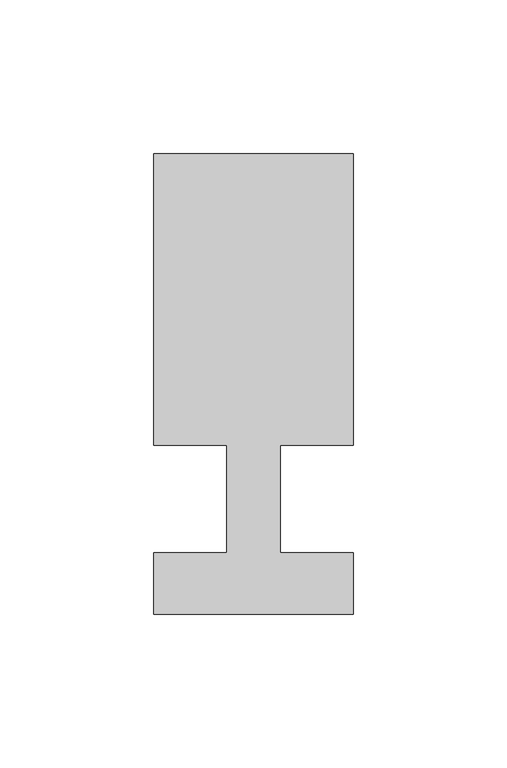
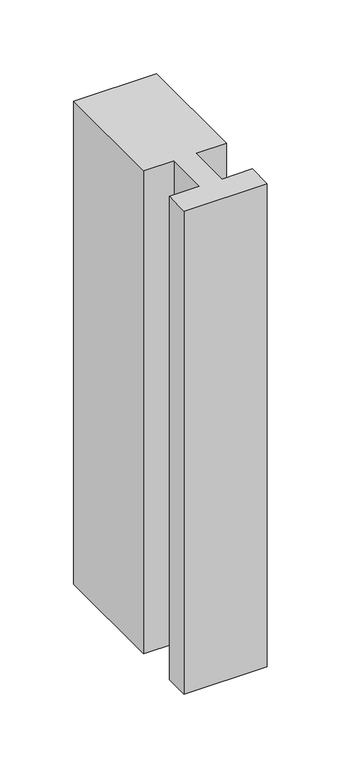
"""IFC4 building model written with IfcOpenShell, lengths in millimetres: member geometry."""

import ifcopenshell
import ifcopenshell.guid

model = None  # the IFC model being written
_history = None  # IfcOwnerHistory: only IFC2X3 demands one
_inside = {}  # id of a spatial element -> (the spatial element, [elements in it])
_under = {}  # id of a project, library or spatial element -> (it, [spatial elements below it])
_declared = {}  # id of a project -> (the project, [libraries it declares])
_typed = {}  # id of a type object -> (the type object, [elements of that type])
_made_of = {}  # id of a material, layer set ... -> (it, [elements and type objects made of it])


def new_model(schema):
    """Start an empty IFC model of exactly this schema.

    Asked for "IFC4X3", IfcOpenShell would pick the latest addendum, in which some entities
    have other attributes; the version numbers below select the first issue.
    IFC2X3 requires an IfcOwnerHistory on every rooted entity: one is made here for all.
    """
    global model, _history
    if schema == "IFC4X3":
        model = ifcopenshell.file(schema_version=(4, 3, 0, 0))
    else:
        model = ifcopenshell.file(schema=schema)
    _inside.clear()
    _under.clear()
    _declared.clear()
    _typed.clear()
    _made_of.clear()
    _history = None
    if model.schema == "IFC2X3":
        org = make("IfcOrganization", Name="unknown")
        user = make(
            "IfcPersonAndOrganization",
            ThePerson=make("IfcPerson", FamilyName="unknown"),
            TheOrganization=org,
        )
        app = make(
            "IfcApplication",
            ApplicationDeveloper=org,
            Version="unknown",
            ApplicationFullName="unknown",
            ApplicationIdentifier="unknown",
        )
        _history = make(
            "IfcOwnerHistory",
            OwningUser=user,
            OwningApplication=app,
            ChangeAction="ADDED",
            CreationDate=0,
        )
    return model


def make(cls, **values):
    """One entity of the class cls with the attributes given. An attribute that is None is left unset."""
    return model.create_entity(
        cls, **{name: value for name, value in values.items() if value is not None}
    )


def rooted(cls, **values):
    """An entity with a GlobalId (a new one), such as an element, a storey or a relation."""
    return make(cls, GlobalId=ifcopenshell.guid.new(), OwnerHistory=_history, **values)


def si_unit(unit_type, name, prefix=None):
    """IfcSIUnit, for example si_unit("LENGTHUNIT", "METRE", prefix="MILLI")."""
    return make("IfcSIUnit", UnitType=unit_type, Prefix=prefix, Name=name)


def assignment(units):
    """IfcUnitAssignment: the units of a project."""
    return None if units is None else make("IfcUnitAssignment", Units=units)


def point(xyz):
    """IfcCartesianPoint."""
    return None if xyz is None else make("IfcCartesianPoint", Coordinates=xyz)


def direction(xyz):
    """IfcDirection."""
    return None if xyz is None else make("IfcDirection", DirectionRatios=xyz)


def frame(location, z_axis=None, x_axis=None):
    """IfcAxis2Placement3D, a coordinate frame: its origin and axes. An axis left out is left unset."""
    return make(
        "IfcAxis2Placement3D",
        Location=point(location),
        Axis=direction(z_axis),
        RefDirection=direction(x_axis),
    )


def origin():
    """The frame at (0, 0, 0) with its axes left unset."""
    return frame((0.0, 0.0, 0.0))


def place(relative_to, where):
    """IfcLocalPlacement: puts the frame where relative to a parent placement (None: the world)."""
    return make(
        "IfcLocalPlacement", PlacementRelTo=relative_to, RelativePlacement=where
    )


def context(
    kind, dimensions, precision=None, world=None, true_north=None, identifier=None
):
    """IfcGeometricRepresentationContext, for example the 3D "Model" context."""
    return make(
        "IfcGeometricRepresentationContext",
        ContextIdentifier=identifier,
        ContextType=kind,
        CoordinateSpaceDimension=dimensions,
        Precision=precision,
        WorldCoordinateSystem=world,
        TrueNorth=true_north,
    )


def project(units=None, contexts=None):
    """IfcProject with its units and contexts."""
    return rooted(
        "IfcProject",
        Name="project",
        RepresentationContexts=contexts,
        UnitsInContext=assignment(units),
    )


def spatial(cls, under=None, at=None, **own):
    """A site, building, storey or space (cls), placed at a placement, below another one or the project."""
    s = rooted(cls, ObjectPlacement=at, **own)
    if under is not None:
        _under.setdefault(under.id(), (under, []))[1].append(s)
    return s


def polyline(points):
    """IfcPolyline through the points."""
    return make("IfcPolyline", Points=[point(p) for p in points])


def outline(outer, holes=None, kind="AREA"):
    """IfcArbitraryClosedProfileDef: a profile drawn as a closed curve; with holes, ...WithVoids."""
    if holes is None:
        return make("IfcArbitraryClosedProfileDef", ProfileType=kind, OuterCurve=outer)
    return make(
        "IfcArbitraryProfileDefWithVoids",
        ProfileType=kind,
        OuterCurve=outer,
        InnerCurves=holes,
    )


def extrude(swept, where, along, depth):
    """IfcExtrudedAreaSolid: the profile swept, set in the frame where, extruded along a direction by depth."""
    return make(
        "IfcExtrudedAreaSolid",
        SweptArea=swept,
        Position=where,
        ExtrudedDirection=direction(along),
        Depth=depth,
    )


def shape(context_of_items, identifier, shape_type, items):
    """IfcShapeRepresentation: the items that make up one representation, for example the "Body"."""
    return make(
        "IfcShapeRepresentation",
        ContextOfItems=context_of_items,
        RepresentationIdentifier=identifier,
        RepresentationType=shape_type,
        Items=items,
    )


def source(mapping_origin, context_of_items, identifier, shape_type, items):
    """IfcRepresentationMap: a shape defined once, which mapped items show again and again."""
    return make(
        "IfcRepresentationMap",
        MappingOrigin=mapping_origin,
        MappedRepresentation=shape(context_of_items, identifier, shape_type, items),
    )


def transform(
    local_origin,
    x_axis=None,
    y_axis=None,
    z_axis=None,
    scale=None,
    scale2=None,
    scale3=None,
    uniform=True,
):
    """IfcCartesianTransformationOperator3D, or its non-uniform kind. x_axis, y_axis, z_axis: its Axis1, 2, 3."""
    if uniform:
        return make(
            "IfcCartesianTransformationOperator3D",
            Axis1=direction(x_axis),
            Axis2=direction(y_axis),
            LocalOrigin=point(local_origin),
            Scale=scale,
            Axis3=direction(z_axis),
        )
    return make(
        "IfcCartesianTransformationOperator3DnonUniform",
        Axis1=direction(x_axis),
        Axis2=direction(y_axis),
        LocalOrigin=point(local_origin),
        Scale=scale,
        Axis3=direction(z_axis),
        Scale2=scale2,
        Scale3=scale3,
    )


def mapped(mapping_source, mapping_target):
    """IfcMappedItem: shows the shape of a source again, moved by a transform."""
    return make(
        "IfcMappedItem", MappingSource=mapping_source, MappingTarget=mapping_target
    )


def made_of(thing, what):
    """Note that an element or type object is made of a material, layer set ...; save() writes the relation."""
    if what is not None:
        _made_of.setdefault(what.id(), (what, []))[1].append(thing)
    return thing


def element(
    cls,
    number,
    at=None,
    inside=None,
    cuts=None,
    type_object=None,
    material=None,
    context=None,
    identifier="Body",
    shape_type=None,
    held_by="IfcProductDefinitionShape",
    body=None,
    shapes=None,
    **own,
):
    """One element of the class cls, such as IfcWall. Its Tag is "e" and its number.

    at: its placement. inside: the storey or other place that contains it. cuts: it is an
    opening in that element (IfcRelVoidsElement). A single representation is given by context,
    identifier, shape_type and body (its items); several are given by shapes. held_by: the class
    of the entity that holds the representations. save() writes the other relations.
    """
    e = rooted(cls, Tag="e%d" % number, ObjectPlacement=at, **own)
    if body is not None:
        shapes = [shape(context, identifier, shape_type, body)]
    if shapes is not None:
        e.Representation = make(held_by, Representations=shapes)
    if inside is not None:
        _inside.setdefault(inside.id(), (inside, []))[1].append(e)
    if cuts is not None:
        rooted(
            "IfcRelVoidsElement", RelatingBuildingElement=cuts, RelatedOpeningElement=e
        )
    if type_object is not None:
        _typed.setdefault(type_object.id(), (type_object, []))[1].append(e)
    return made_of(e, material)


def aggregate(whole, parts):
    """IfcRelAggregates: a whole, such as a stair, and the parts it consists of."""
    return rooted("IfcRelAggregates", RelatingObject=whole, RelatedObjects=parts)


def save(model, path):
    """Write the relations noted so far, then the file.

    IfcRelAggregates (storeys below a building ...), IfcRelContainedInSpatialStructure (elements
    in a storey), IfcRelDefinesByType, IfcRelAssociatesMaterial and IfcRelDeclares: one each for
    every whole, place, type object, material and project.
    """
    for whole, parts in _under.values():
        aggregate(whole, parts)
    for where, things in _inside.values():
        rooted(
            "IfcRelContainedInSpatialStructure",
            RelatedElements=things,
            RelatingStructure=where,
        )
    for kind, things in _typed.values():
        rooted("IfcRelDefinesByType", RelatedObjects=things, RelatingType=kind)
    for what, things in _made_of.values():
        rooted("IfcRelAssociatesMaterial", RelatedObjects=things, RelatingMaterial=what)
    for by, libraries in _declared.values():
        rooted("IfcRelDeclares", RelatingContext=by, RelatedDefinitions=libraries)
    model.write(path)


def member_48d83cdb(model_context):
    return source(origin(), model_context, "Body", "SweptSolid", [
        extrude(outline(polyline([(0.0, -37.0), (-65.0, -37.0), (-65.0, -17.0), (-41.1875, -17.0), (-41.1875, 18.0), (-65.0, 18.0), (-65.0, 113.0), (0.0, 113.0), (0.0, 18.0), (-23.8125, 18.0), (-23.8125, -17.0), (0.0, -17.0), (0.0, -37.0)])), frame((0.0, 0.0, -400.0), z_axis=(0.0, 0.0, 1.0), x_axis=(1.0, 0.0, 0.0)), (0.0, 0.0, 1.0), 400.0),
    ])


if __name__ == "__main__":
    model = new_model("IFC4")
    model_context = context("Model", 3, world=origin())
    ifc_project = project(units=[si_unit("LENGTHUNIT", "METRE", prefix="MILLI")], contexts=[model_context])
    site = spatial("IfcSite", under=ifc_project)
    building = spatial("IfcBuilding", under=site)
    placement = place(None, origin())
    member_shape = member_48d83cdb(model_context)
    element("IfcMember", 1, at=placement, inside=building, context=model_context, shape_type="MappedRepresentation", body=[
        mapped(member_shape, transform((0.0, 0.0, 0.0), x_axis=(1.0, 0.0, 0.0), y_axis=(0.0, 1.0, 0.0), z_axis=(0.0, 0.0, 1.0))),
    ])
    save(model, "model.ifc")
